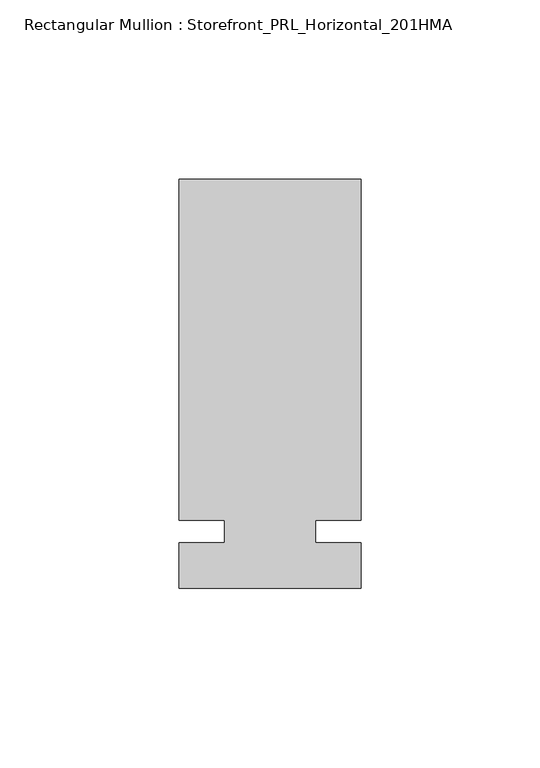
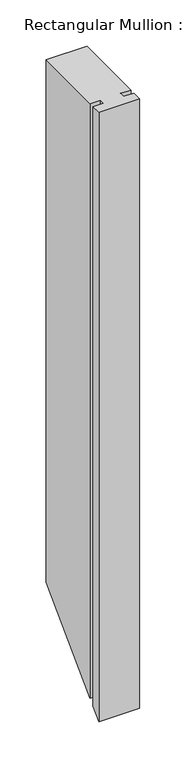
"""IFC4 building model written with IfcOpenShell, lengths in millimetres: member geometry, Rectangular Mullion : Storefront_PRL_Horizontal_201HMA."""

from ifc_helpers import new_model, si_unit, origin, place, context, project, spatial, faceted_brep, source, transform, mapped, element, save


def rectangular_mullion_storefront_prl_horizontal_201hma_d417ff1a(model_context):
    return source(origin(), model_context, "Body", "Brep", [
        faceted_brep([(-12.7, 3.175, 0.0), (-12.7, -3.175, 0.0), (-25.4, -3.175, 0.0), (-25.4, -15.875, 0.0), (25.4, -15.875, 0.0), (25.4, -3.175, 0.0), (12.7, -3.175, 0.0), (12.7, 3.175, 0.0), (25.4, 3.175, 0.0), (25.4, 98.425, 0.0), (-25.4, 98.425, 0.0), (-25.4, 3.175, 0.0), (-12.7, 3.175, -784.225), (-12.7, -3.175, -790.575), (-25.4, -3.175, -790.575), (-25.4, -15.875, -803.275), (25.4, -15.875, -803.275), (25.4, -3.175, -790.575), (12.7, -3.175, -790.575), (12.7, 3.175, -784.225), (25.4, 3.175, -784.225), (25.4, 98.425, -688.975), (-25.4, 98.425, -688.975), (-25.4, 3.175, -784.225)], [[[0, 1, 2, 3, 4, 5, 6, 7, 8, 9, 10, 11]], [[1, 0, 12, 13]], [[2, 1, 13, 14]], [[3, 2, 14, 15]], [[4, 3, 15, 16]], [[5, 4, 16, 17]], [[6, 5, 17, 18]], [[7, 6, 18, 19]], [[8, 7, 19, 20]], [[9, 8, 20, 21]], [[10, 9, 21, 22]], [[11, 10, 22, 23]], [[0, 11, 23, 12]], [[12, 23, 22, 21, 20, 19, 18, 17, 16, 15, 14, 13]]]),
    ])


if __name__ == "__main__":
    model = new_model("IFC4")
    model_context = context("Model", 3, world=origin())
    ifc_project = project(units=[si_unit("LENGTHUNIT", "METRE", prefix="MILLI")], contexts=[model_context])
    site = spatial("IfcSite", under=ifc_project)
    building = spatial("IfcBuilding", under=site)
    placement = place(None, origin())
    rectangular_mullion_storefront_prl_horizontal_201hma_shape = rectangular_mullion_storefront_prl_horizontal_201hma_d417ff1a(model_context)
    element("IfcMember", 1, ObjectType="Rectangular Mullion : Storefront_PRL_Horizontal_201HMA", at=placement, inside=building, context=model_context, shape_type="MappedRepresentation", body=[
        mapped(rectangular_mullion_storefront_prl_horizontal_201hma_shape, transform((0.0, 0.0, 0.0), x_axis=(1.0, 0.0, 0.0), y_axis=(0.0, 1.0, 0.0), z_axis=(0.0, 0.0, 1.0))),
    ])
    save(model, "model.ifc")
